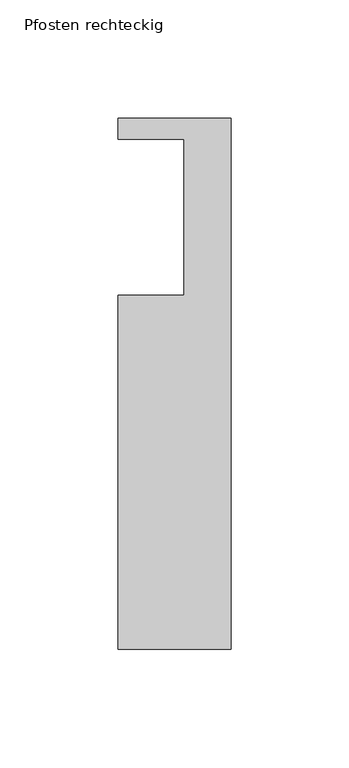
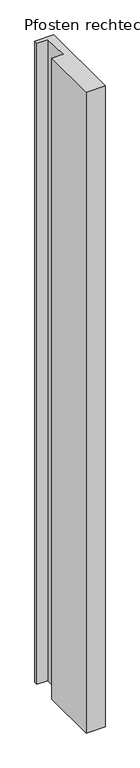
"""IFC4 building model written with IfcOpenShell, lengths in millimetres: member geometry, Pfosten rechteckig."""

from ifc_helpers import new_model, si_unit, frame, origin, place, context, project, spatial, polyline, outline, extrude, source, transform, mapped, element, save


def pfosten_rechteckig_72b729d6(model_context):
    return source(origin(), model_context, "Body", "SweptSolid", [
        extrude(outline(polyline([(0.0, 9.0), (0.0, -216.0), (-48.0, -216.0), (-48.0, -66.0), (-20.0, -66.0), (-20.0, 0.0), (-48.0, 0.0), (-48.0, 9.0), (0.0, 9.0)])), frame((0.0, 0.0, -1720.0), z_axis=(0.0, 0.0, 1.0), x_axis=(1.0, 0.0, 0.0)), (0.0, 0.0, 1.0), 1720.0),
    ])


if __name__ == "__main__":
    model = new_model("IFC4")
    model_context = context("Model", 3, world=origin())
    ifc_project = project(units=[si_unit("LENGTHUNIT", "METRE", prefix="MILLI")], contexts=[model_context])
    site = spatial("IfcSite", under=ifc_project)
    building = spatial("IfcBuilding", under=site)
    placement = place(None, origin())
    pfosten_rechteckig_shape = pfosten_rechteckig_72b729d6(model_context)
    element("IfcMember", 1, ObjectType="Pfosten rechteckig", at=placement, inside=building, context=model_context, shape_type="MappedRepresentation", body=[
        mapped(pfosten_rechteckig_shape, transform((0.0, 0.0, 0.0), x_axis=(1.0, 0.0, 0.0), y_axis=(0.0, 1.0, 0.0), z_axis=(0.0, 0.0, 1.0))),
    ])
    save(model, "model.ifc")
